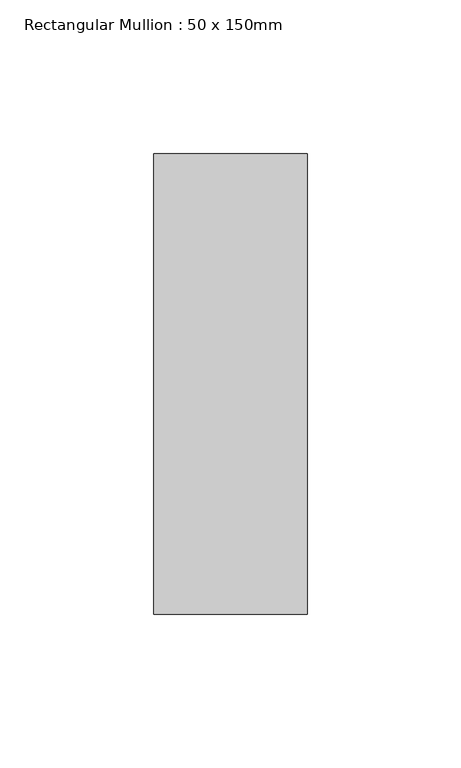
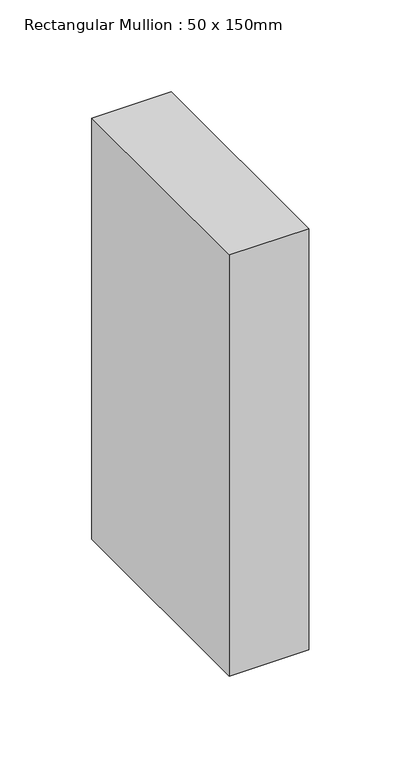
"""IFC4 building model written with IfcOpenShell, lengths in millimetres: member geometry, Rectangular Mullion : 50 x 150mm."""

from ifc_helpers import new_model, si_unit, frame, origin, place, context, project, spatial, polyline, outline, extrude, source, transform, mapped, element, save


def rectangular_mullion_50_x_150mm_65d9e3e5(model_context):
    return source(origin(), model_context, "Body", "SweptSolid", [
        extrude(outline(polyline([(25.0, 75.0), (25.0, -75.0), (-25.0, -75.0), (-25.0, 75.0), (25.0, 75.0)])), frame((0.0, 0.0, -280.217757), z_axis=(0.0, 0.0, 1.0), x_axis=(1.0, 0.0, 0.0)), (0.0, 0.0, 1.0), 280.217757),
    ])


if __name__ == "__main__":
    model = new_model("IFC4")
    model_context = context("Model", 3, world=origin())
    ifc_project = project(units=[si_unit("LENGTHUNIT", "METRE", prefix="MILLI")], contexts=[model_context])
    site = spatial("IfcSite", under=ifc_project)
    building = spatial("IfcBuilding", under=site)
    placement = place(None, origin())
    rectangular_mullion_50_x_150mm_shape = rectangular_mullion_50_x_150mm_65d9e3e5(model_context)
    element("IfcMember", 1, ObjectType="Rectangular Mullion : 50 x 150mm", at=placement, inside=building, context=model_context, shape_type="MappedRepresentation", body=[
        mapped(rectangular_mullion_50_x_150mm_shape, transform((0.0, 0.0, 0.0), x_axis=(1.0, 0.0, 0.0), y_axis=(0.0, 1.0, 0.0), z_axis=(0.0, 0.0, 1.0))),
    ])
    save(model, "model.ifc")
